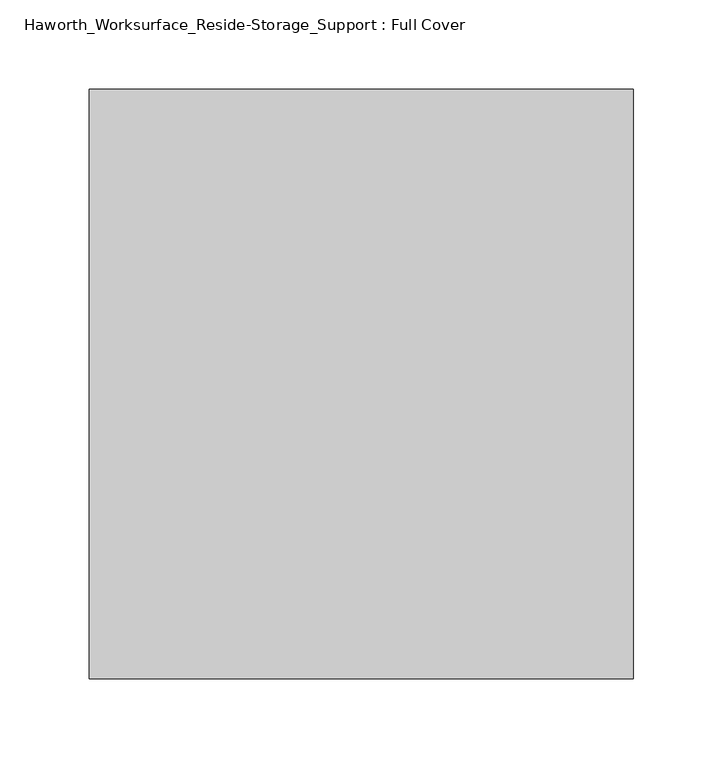
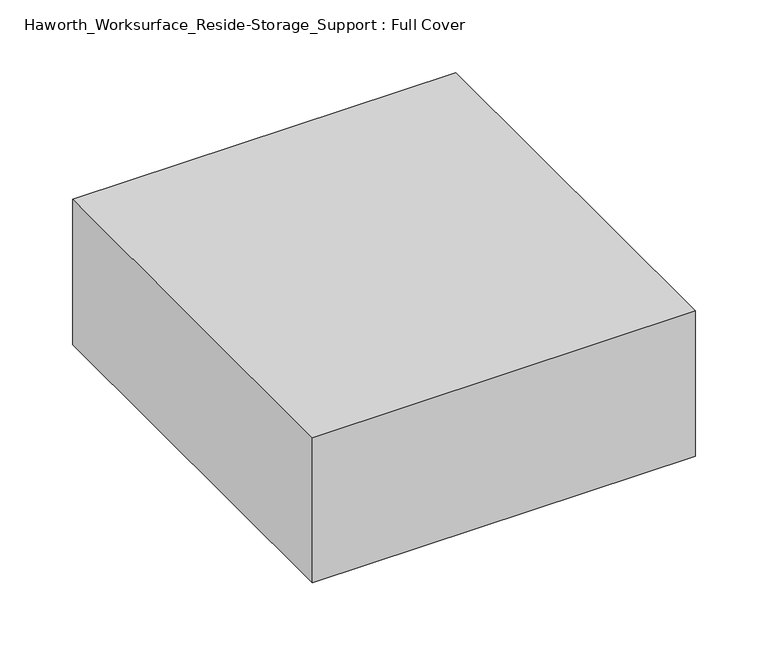
"""IFC4 building model written with IfcOpenShell, lengths in millimetres: furniture geometry, Haworth_Worksurface_Reside-Storage_Support : Full Cover."""

import ifcopenshell
import ifcopenshell.guid

model = None  # the IFC model being written
_history = None  # IfcOwnerHistory: only IFC2X3 demands one
_inside = {}  # id of a spatial element -> (the spatial element, [elements in it])
_under = {}  # id of a project, library or spatial element -> (it, [spatial elements below it])
_declared = {}  # id of a project -> (the project, [libraries it declares])
_typed = {}  # id of a type object -> (the type object, [elements of that type])
_made_of = {}  # id of a material, layer set ... -> (it, [elements and type objects made of it])


def new_model(schema):
    """Start an empty IFC model of exactly this schema.

    Asked for "IFC4X3", IfcOpenShell would pick the latest addendum, in which some entities
    have other attributes; the version numbers below select the first issue.
    IFC2X3 requires an IfcOwnerHistory on every rooted entity: one is made here for all.
    """
    global model, _history
    if schema == "IFC4X3":
        model = ifcopenshell.file(schema_version=(4, 3, 0, 0))
    else:
        model = ifcopenshell.file(schema=schema)
    _inside.clear()
    _under.clear()
    _declared.clear()
    _typed.clear()
    _made_of.clear()
    _history = None
    if model.schema == "IFC2X3":
        org = make("IfcOrganization", Name="unknown")
        user = make(
            "IfcPersonAndOrganization",
            ThePerson=make("IfcPerson", FamilyName="unknown"),
            TheOrganization=org,
        )
        app = make(
            "IfcApplication",
            ApplicationDeveloper=org,
            Version="unknown",
            ApplicationFullName="unknown",
            ApplicationIdentifier="unknown",
        )
        _history = make(
            "IfcOwnerHistory",
            OwningUser=user,
            OwningApplication=app,
            ChangeAction="ADDED",
            CreationDate=0,
        )
    return model


def make(cls, **values):
    """One entity of the class cls with the attributes given. An attribute that is None is left unset."""
    return model.create_entity(
        cls, **{name: value for name, value in values.items() if value is not None}
    )


def rooted(cls, **values):
    """An entity with a GlobalId (a new one), such as an element, a storey or a relation."""
    return make(cls, GlobalId=ifcopenshell.guid.new(), OwnerHistory=_history, **values)


def si_unit(unit_type, name, prefix=None):
    """IfcSIUnit, for example si_unit("LENGTHUNIT", "METRE", prefix="MILLI")."""
    return make("IfcSIUnit", UnitType=unit_type, Prefix=prefix, Name=name)


def assignment(units):
    """IfcUnitAssignment: the units of a project."""
    return None if units is None else make("IfcUnitAssignment", Units=units)


def point(xyz):
    """IfcCartesianPoint."""
    return None if xyz is None else make("IfcCartesianPoint", Coordinates=xyz)


def direction(xyz):
    """IfcDirection."""
    return None if xyz is None else make("IfcDirection", DirectionRatios=xyz)


def frame(location, z_axis=None, x_axis=None):
    """IfcAxis2Placement3D, a coordinate frame: its origin and axes. An axis left out is left unset."""
    return make(
        "IfcAxis2Placement3D",
        Location=point(location),
        Axis=direction(z_axis),
        RefDirection=direction(x_axis),
    )


def origin():
    """The frame at (0, 0, 0) with its axes left unset."""
    return frame((0.0, 0.0, 0.0))


def place(relative_to, where):
    """IfcLocalPlacement: puts the frame where relative to a parent placement (None: the world)."""
    return make(
        "IfcLocalPlacement", PlacementRelTo=relative_to, RelativePlacement=where
    )


def context(
    kind, dimensions, precision=None, world=None, true_north=None, identifier=None
):
    """IfcGeometricRepresentationContext, for example the 3D "Model" context."""
    return make(
        "IfcGeometricRepresentationContext",
        ContextIdentifier=identifier,
        ContextType=kind,
        CoordinateSpaceDimension=dimensions,
        Precision=precision,
        WorldCoordinateSystem=world,
        TrueNorth=true_north,
    )


def project(units=None, contexts=None):
    """IfcProject with its units and contexts."""
    return rooted(
        "IfcProject",
        Name="project",
        RepresentationContexts=contexts,
        UnitsInContext=assignment(units),
    )


def spatial(cls, under=None, at=None, **own):
    """A site, building, storey or space (cls), placed at a placement, below another one or the project."""
    s = rooted(cls, ObjectPlacement=at, **own)
    if under is not None:
        _under.setdefault(under.id(), (under, []))[1].append(s)
    return s


def polyline(points):
    """IfcPolyline through the points."""
    return make("IfcPolyline", Points=[point(p) for p in points])


def outline(outer, holes=None, kind="AREA"):
    """IfcArbitraryClosedProfileDef: a profile drawn as a closed curve; with holes, ...WithVoids."""
    if holes is None:
        return make("IfcArbitraryClosedProfileDef", ProfileType=kind, OuterCurve=outer)
    return make(
        "IfcArbitraryProfileDefWithVoids",
        ProfileType=kind,
        OuterCurve=outer,
        InnerCurves=holes,
    )


def extrude(swept, where, along, depth):
    """IfcExtrudedAreaSolid: the profile swept, set in the frame where, extruded along a direction by depth."""
    return make(
        "IfcExtrudedAreaSolid",
        SweptArea=swept,
        Position=where,
        ExtrudedDirection=direction(along),
        Depth=depth,
    )


def shape(context_of_items, identifier, shape_type, items):
    """IfcShapeRepresentation: the items that make up one representation, for example the "Body"."""
    return make(
        "IfcShapeRepresentation",
        ContextOfItems=context_of_items,
        RepresentationIdentifier=identifier,
        RepresentationType=shape_type,
        Items=items,
    )


def source(mapping_origin, context_of_items, identifier, shape_type, items):
    """IfcRepresentationMap: a shape defined once, which mapped items show again and again."""
    return make(
        "IfcRepresentationMap",
        MappingOrigin=mapping_origin,
        MappedRepresentation=shape(context_of_items, identifier, shape_type, items),
    )


def transform(
    local_origin,
    x_axis=None,
    y_axis=None,
    z_axis=None,
    scale=None,
    scale2=None,
    scale3=None,
    uniform=True,
):
    """IfcCartesianTransformationOperator3D, or its non-uniform kind. x_axis, y_axis, z_axis: its Axis1, 2, 3."""
    if uniform:
        return make(
            "IfcCartesianTransformationOperator3D",
            Axis1=direction(x_axis),
            Axis2=direction(y_axis),
            LocalOrigin=point(local_origin),
            Scale=scale,
            Axis3=direction(z_axis),
        )
    return make(
        "IfcCartesianTransformationOperator3DnonUniform",
        Axis1=direction(x_axis),
        Axis2=direction(y_axis),
        LocalOrigin=point(local_origin),
        Scale=scale,
        Axis3=direction(z_axis),
        Scale2=scale2,
        Scale3=scale3,
    )


def mapped(mapping_source, mapping_target):
    """IfcMappedItem: shows the shape of a source again, moved by a transform."""
    return make(
        "IfcMappedItem", MappingSource=mapping_source, MappingTarget=mapping_target
    )


def made_of(thing, what):
    """Note that an element or type object is made of a material, layer set ...; save() writes the relation."""
    if what is not None:
        _made_of.setdefault(what.id(), (what, []))[1].append(thing)
    return thing


def element(
    cls,
    number,
    at=None,
    inside=None,
    cuts=None,
    type_object=None,
    material=None,
    context=None,
    identifier="Body",
    shape_type=None,
    held_by="IfcProductDefinitionShape",
    body=None,
    shapes=None,
    **own,
):
    """One element of the class cls, such as IfcWall. Its Tag is "e" and its number.

    at: its placement. inside: the storey or other place that contains it. cuts: it is an
    opening in that element (IfcRelVoidsElement). A single representation is given by context,
    identifier, shape_type and body (its items); several are given by shapes. held_by: the class
    of the entity that holds the representations. save() writes the other relations.
    """
    e = rooted(cls, Tag="e%d" % number, ObjectPlacement=at, **own)
    if body is not None:
        shapes = [shape(context, identifier, shape_type, body)]
    if shapes is not None:
        e.Representation = make(held_by, Representations=shapes)
    if inside is not None:
        _inside.setdefault(inside.id(), (inside, []))[1].append(e)
    if cuts is not None:
        rooted(
            "IfcRelVoidsElement", RelatingBuildingElement=cuts, RelatedOpeningElement=e
        )
    if type_object is not None:
        _typed.setdefault(type_object.id(), (type_object, []))[1].append(e)
    return made_of(e, material)


def aggregate(whole, parts):
    """IfcRelAggregates: a whole, such as a stair, and the parts it consists of."""
    return rooted("IfcRelAggregates", RelatingObject=whole, RelatedObjects=parts)


def save(model, path):
    """Write the relations noted so far, then the file.

    IfcRelAggregates (storeys below a building ...), IfcRelContainedInSpatialStructure (elements
    in a storey), IfcRelDefinesByType, IfcRelAssociatesMaterial and IfcRelDeclares: one each for
    every whole, place, type object, material and project.
    """
    for whole, parts in _under.values():
        aggregate(whole, parts)
    for where, things in _inside.values():
        rooted(
            "IfcRelContainedInSpatialStructure",
            RelatedElements=things,
            RelatingStructure=where,
        )
    for kind, things in _typed.values():
        rooted("IfcRelDefinesByType", RelatedObjects=things, RelatingType=kind)
    for what, things in _made_of.values():
        rooted("IfcRelAssociatesMaterial", RelatedObjects=things, RelatingMaterial=what)
    for by, libraries in _declared.values():
        rooted("IfcRelDeclares", RelatingContext=by, RelatedDefinitions=libraries)
    model.write(path)


def haworth_worksurface_reside_storage_support_full_cover_24c0d483(model_context):
    return source(origin(), model_context, "Body", "SweptSolid", [
        extrude(outline(polyline([(454.025, -197.0645843), (149.225, -197.0645843), (149.225, 133.1354157), (454.025, 133.1354157), (454.025, -197.0645843)])), frame((0.0, 0.0, 584.2), z_axis=(0.0, 0.0, 1.0), x_axis=(1.0, 0.0, 0.0)), (0.0, 0.0, 1.0), 122.2375),
    ])


if __name__ == "__main__":
    model = new_model("IFC4")
    model_context = context("Model", 3, world=origin())
    ifc_project = project(units=[si_unit("LENGTHUNIT", "METRE", prefix="MILLI")], contexts=[model_context])
    site = spatial("IfcSite", under=ifc_project)
    building = spatial("IfcBuilding", under=site)
    placement = place(None, origin())
    haworth_worksurface_reside_storage_support_full_cover_shape = haworth_worksurface_reside_storage_support_full_cover_24c0d483(model_context)
    element("IfcFurniture", 1, ObjectType="Haworth_Worksurface_Reside-Storage_Support : Full Cover", at=placement, inside=building, context=model_context, shape_type="MappedRepresentation", body=[
        mapped(haworth_worksurface_reside_storage_support_full_cover_shape, transform((0.0, 0.0, 0.0), x_axis=(1.0, 0.0, 0.0), y_axis=(0.0, 1.0, 0.0), z_axis=(0.0, 0.0, 1.0))),
    ])
    save(model, "model.ifc")
